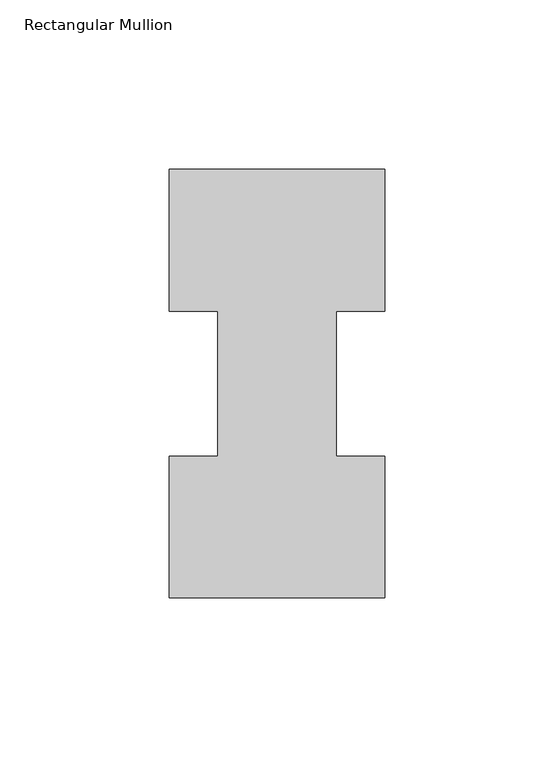
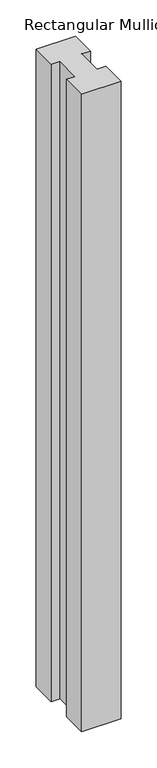
"""IFC4 building model written with IfcOpenShell, lengths in millimetres: member geometry, Rectangular Mullion."""

from ifc_helpers import new_model, si_unit, frame, origin, place, context, project, spatial, polyline, outline, extrude, source, transform, mapped, element, save


def rectangular_mullion_2e72f645(model_context):
    return source(origin(), model_context, "Body", "SweptSolid", [
        extrude(outline(polyline([(-63.5, 0.2967757), (-63.5, 42.1178757), (-49.2125, 42.1178757), (-49.2125, 84.93125), (-63.5, 84.93125), (-63.5, 126.7887757), (0.0, 126.7887757), (0.0, 84.93125), (-14.2748, 84.93125), (-14.2748, 42.1178757), (0.0, 42.1178757), (0.0, 0.2967757), (-63.5, 0.2967757)])), frame((0.0, 0.0, -1079.5), z_axis=(0.0, 0.0, 1.0), x_axis=(1.0, 0.0, 0.0)), (0.0, 0.0, 1.0), 1079.5),
    ])


if __name__ == "__main__":
    model = new_model("IFC4")
    model_context = context("Model", 3, world=origin())
    ifc_project = project(units=[si_unit("LENGTHUNIT", "METRE", prefix="MILLI")], contexts=[model_context])
    site = spatial("IfcSite", under=ifc_project)
    building = spatial("IfcBuilding", under=site)
    placement = place(None, origin())
    rectangular_mullion_shape = rectangular_mullion_2e72f645(model_context)
    element("IfcMember", 1, ObjectType="Rectangular Mullion", at=placement, inside=building, context=model_context, shape_type="MappedRepresentation", body=[
        mapped(rectangular_mullion_shape, transform((0.0, 0.0, 0.0), x_axis=(1.0, 0.0, 0.0), y_axis=(0.0, 1.0, 0.0), z_axis=(0.0, 0.0, 1.0))),
    ])
    save(model, "model.ifc")
